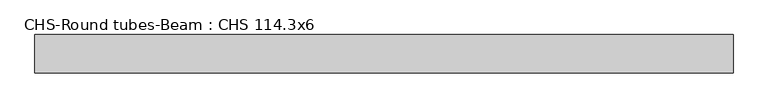
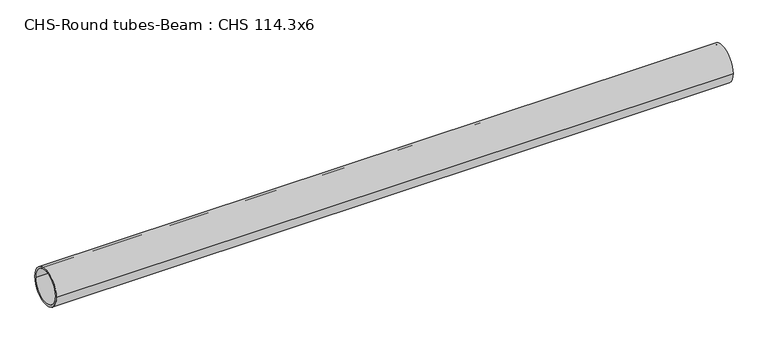
"""IFC4 building model written with IfcOpenShell, lengths in millimetres: beam geometry, CHS-Round tubes-Beam : CHS 114.3x6."""

from ifc_helpers import new_model, si_unit, point, frame, origin, origin_2d, place, context, project, spatial, circle_curve, trimmed, segment, composite_curve, outline, extrude, source, transform, mapped, element, save


def chs_round_tubes_beam_chs_114_3x6_01102613(model_context):
    return source(origin(), model_context, "Body", "SweptSolid", [
        extrude(outline(composite_curve([segment(trimmed(circle_curve(origin_2d(), 57.15), [point((57.15, 0.0))], [point((-57.15, 0.0))], False, "CARTESIAN"), True, "CONTINUOUS"), segment(trimmed(circle_curve(origin_2d(), 57.15), [point((-57.15, 0.0))], [point((57.15, 0.0))], False, "CARTESIAN"), True, "CONTINUOUS")], self_intersect=False), holes=[composite_curve([segment(trimmed(circle_curve(origin_2d(), 51.15), [point((51.15, 0.0))], [point((-51.15, 0.0))], True, "CARTESIAN"), True, "CONTINUOUS"), segment(trimmed(circle_curve(origin_2d(), 51.15), [point((-51.15, 0.0))], [point((51.15, 0.0))], True, "CARTESIAN"), True, "CONTINUOUS")], self_intersect=False)]), frame((-1026.4859677, 0.0, 0.0), z_axis=(1.0, 0.0, 0.0), x_axis=(0.0, 1.0, 0.0)), (0.0, 0.0, 1.0), 2089.7975674),
    ])


if __name__ == "__main__":
    model = new_model("IFC4")
    model_context = context("Model", 3, world=origin())
    ifc_project = project(units=[si_unit("LENGTHUNIT", "METRE", prefix="MILLI")], contexts=[model_context])
    site = spatial("IfcSite", under=ifc_project)
    building = spatial("IfcBuilding", under=site)
    placement = place(None, origin())
    chs_round_tubes_beam_chs_114_3x6_shape = chs_round_tubes_beam_chs_114_3x6_01102613(model_context)
    element("IfcBeam", 1, ObjectType="CHS-Round tubes-Beam : CHS 114.3x6", at=placement, inside=building, context=model_context, shape_type="MappedRepresentation", body=[
        mapped(chs_round_tubes_beam_chs_114_3x6_shape, transform((0.0, 0.0, 0.0), x_axis=(1.0, 0.0, 0.0), y_axis=(0.0, 1.0, 0.0), z_axis=(0.0, 0.0, 1.0))),
    ])
    save(model, "model.ifc")
